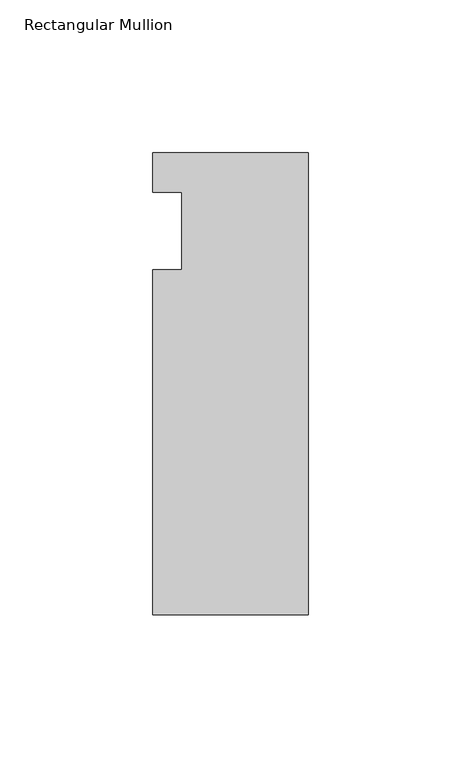
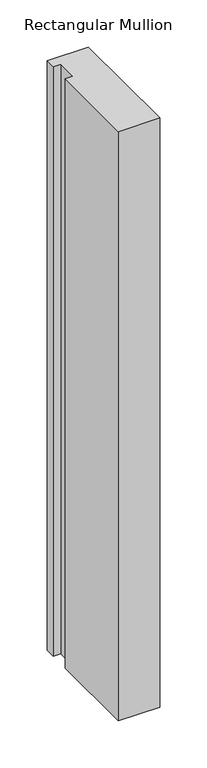
"""IFC4 building model written with IfcOpenShell, lengths in millimetres: member geometry, Rectangular Mullion."""

from ifc_helpers import new_model, si_unit, frame, origin, place, context, project, spatial, polyline, outline, extrude, source, transform, mapped, element, save


def rectangular_mullion_975d2006(model_context):
    return source(origin(), model_context, "Body", "SweptSolid", [
        extrude(outline(polyline([(-50.8, 25.5984375), (0.0, 25.5984375), (0.0, -125.6109375), (-50.8, -125.6109375), (-50.8, -12.7), (-41.275, -12.7), (-41.275, 12.7), (-50.8, 12.7), (-50.8, 25.5984375)])), frame((0.0, 0.0, -764.22885), z_axis=(0.0, 0.0, 1.0), x_axis=(1.0, 0.0, 0.0)), (0.0, 0.0, 1.0), 764.22885),
    ])


if __name__ == "__main__":
    model = new_model("IFC4")
    model_context = context("Model", 3, world=origin())
    ifc_project = project(units=[si_unit("LENGTHUNIT", "METRE", prefix="MILLI")], contexts=[model_context])
    site = spatial("IfcSite", under=ifc_project)
    building = spatial("IfcBuilding", under=site)
    placement = place(None, origin())
    rectangular_mullion_shape = rectangular_mullion_975d2006(model_context)
    element("IfcMember", 1, ObjectType="Rectangular Mullion", at=placement, inside=building, context=model_context, shape_type="MappedRepresentation", body=[
        mapped(rectangular_mullion_shape, transform((0.0, 0.0, 0.0), x_axis=(1.0, 0.0, 0.0), y_axis=(0.0, 1.0, 0.0), z_axis=(0.0, 0.0, 1.0))),
    ])
    save(model, "model.ifc")
